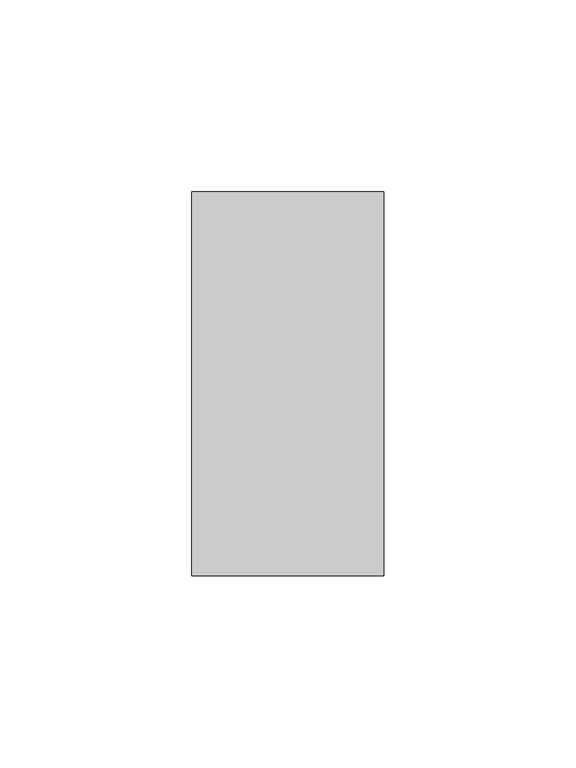
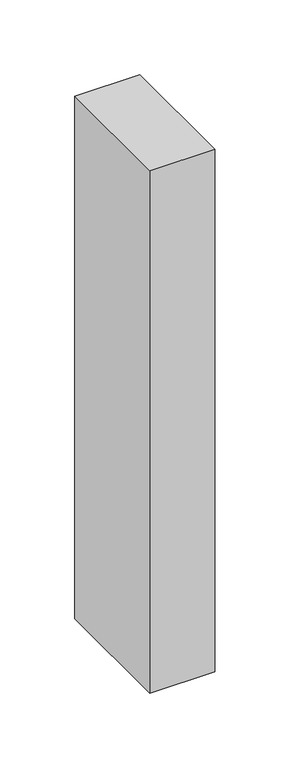
"""IFC4 building model written with IfcOpenShell, lengths in millimetres: member geometry."""

from ifc_helpers import new_model, si_unit, frame, origin, place, context, project, spatial, polyline, outline, extrude, source, transform, mapped, element, save


def member_6cffce55(model_context):
    return source(origin(), model_context, "Body", "SweptSolid", [
        extrude(outline(polyline([(25.0, 50.0), (25.0, -50.0), (-25.0, -50.0), (-25.0, 50.0), (25.0, 50.0)])), frame((0.0, 0.0, -425.0), z_axis=(0.0, 0.0, 1.0), x_axis=(1.0, 0.0, 0.0)), (0.0, 0.0, 1.0), 425.0),
    ])


if __name__ == "__main__":
    model = new_model("IFC4")
    model_context = context("Model", 3, world=origin())
    ifc_project = project(units=[si_unit("LENGTHUNIT", "METRE", prefix="MILLI")], contexts=[model_context])
    site = spatial("IfcSite", under=ifc_project)
    building = spatial("IfcBuilding", under=site)
    placement = place(None, origin())
    member_shape = member_6cffce55(model_context)
    element("IfcMember", 1, at=placement, inside=building, context=model_context, shape_type="MappedRepresentation", body=[
        mapped(member_shape, transform((0.0, 0.0, 0.0), x_axis=(1.0, 0.0, 0.0), y_axis=(0.0, 1.0, 0.0), z_axis=(0.0, 0.0, 1.0))),
    ])
    save(model, "model.ifc")
